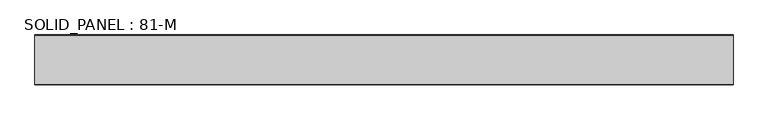
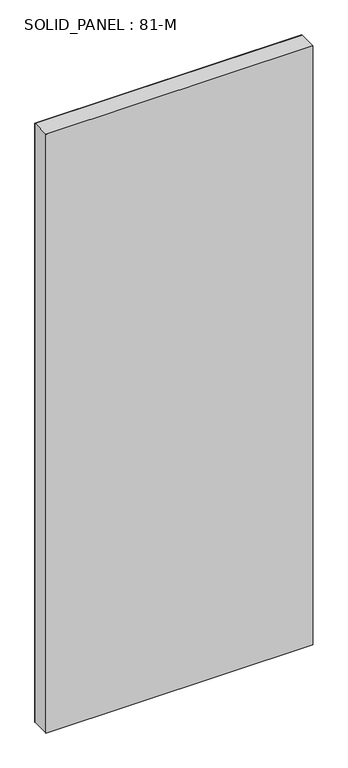
"""IFC4 building model written with IfcOpenShell, lengths in millimetres: plate geometry, SOLID_PANEL : 81-M."""

from ifc_helpers import new_model, si_unit, origin, origin_with_axes, place, context, project, spatial, polyline, outline, extrude, source, transform, mapped, element, save


def solid_panel_81_m_a1676ff3(model_context):
    return source(origin(), model_context, "Body", "SweptSolid", [
        extrude(outline(polyline([(581.0, -40.5), (-581.0, -40.5), (-581.0, 40.5), (581.0, 40.5), (581.0, -40.5)])), origin_with_axes(), (0.0, 0.0, 1.0), 2755.0),
        extrude(outline(polyline([(581.0, -41.5), (-581.0, -41.5), (-581.0, -40.5), (581.0, -40.5), (581.0, -41.5)])), origin_with_axes(), (0.0, 0.0, 1.0), 2755.0),
        extrude(outline(polyline([(581.0, 40.5), (-581.0, 40.5), (-581.0, 41.5), (581.0, 41.5), (581.0, 40.5)])), origin_with_axes(), (0.0, 0.0, 1.0), 2755.0),
    ])


if __name__ == "__main__":
    model = new_model("IFC4")
    model_context = context("Model", 3, world=origin())
    ifc_project = project(units=[si_unit("LENGTHUNIT", "METRE", prefix="MILLI")], contexts=[model_context])
    site = spatial("IfcSite", under=ifc_project)
    building = spatial("IfcBuilding", under=site)
    placement = place(None, origin())
    solid_panel_81_m_shape = solid_panel_81_m_a1676ff3(model_context)
    element("IfcPlate", 1, ObjectType="SOLID_PANEL : 81-M", at=placement, inside=building, context=model_context, shape_type="MappedRepresentation", body=[
        mapped(solid_panel_81_m_shape, transform((0.0, 0.0, 0.0), x_axis=(1.0, 0.0, 0.0), y_axis=(0.0, 1.0, 0.0), z_axis=(0.0, 0.0, 1.0))),
    ])
    save(model, "model.ifc")
